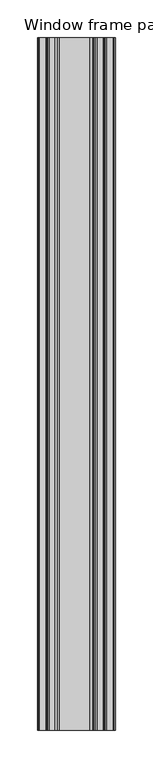
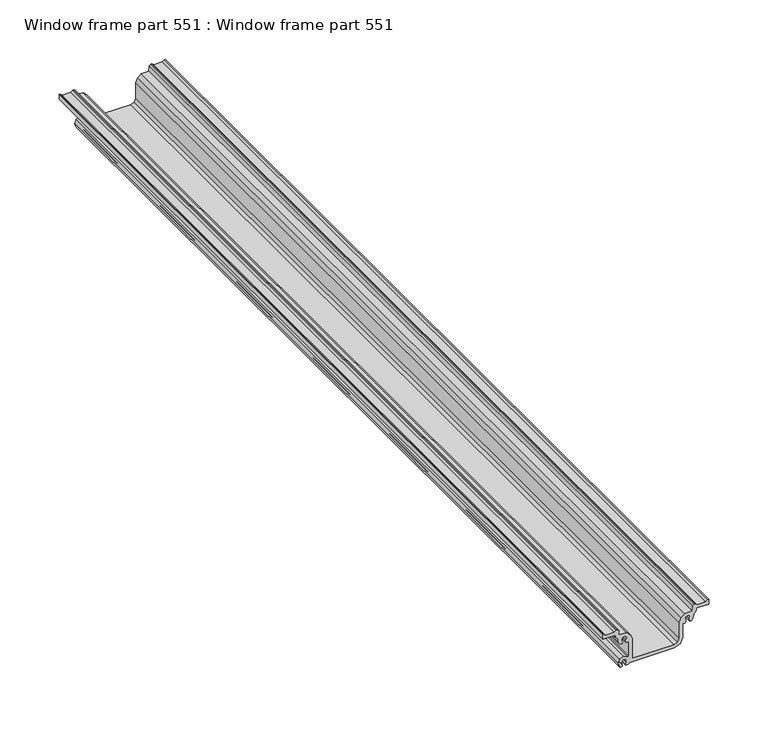
"""IFC4 building model written with IfcOpenShell, lengths in millimetres: proxy geometry, Window frame part 551 : Window frame part 551."""

from ifc_helpers import new_model, si_unit, frame, origin, place, context, project, spatial, polyline, outline, extrude, source, transform, mapped, element, save


def window_frame_part_551_window_frame_part_551_83228079(model_context):
    return source(origin(), model_context, "Body", "SweptSolid", [
        extrude(outline(polyline([(1380.0880823, 37560.1041881), (1377.5321799, 37560.6443582), (1375.3001394, 37563.0354263), (1372.1545517, 37563.0354263), (1369.4796476, 37564.6796781), (1369.426786, 37566.3651471), (1370.8125999, 37567.1652471), (1371.9317583, 37566.7087799), (1373.7082, 37565.9842289), (1375.9079044, 37567.2542288), (1375.9079044, 37569.7942287), (1373.7081999, 37571.0642287), (1371.9317583, 37570.3396777), (1370.8125999, 37569.8832105), (1369.7693698, 37570.2700222), (1369.2123998, 37571.4834106), (1369.5139755, 37572.4184053), (1369.1017139, 37573.2232289), (1354.5847356, 37573.2232289), (1354.2092144, 37572.3731064), (1355.6996, 37568.5242289), (1354.0257152, 37564.4831136), (1349.9845999, 37562.8092288), (1345.9434846, 37564.4831136), (1345.4887999, 37565.5650471), (1346.2888999, 37566.950861), (1347.8891, 37566.950861), (1348.7146, 37566.3245243), (1351.2337079, 37566.4483605), (1352.5245999, 37568.5242288), (1351.2545999, 37570.7239332), (1348.7146, 37570.7239332), (1347.0889999, 37569.8832104), (1345.9574875, 37570.3518982), (1345.9574875, 37572.6149229), (1347.2922, 37573.5694604), (1347.2922, 37617.3938289), (1349.7100335, 37623.2309954), (1355.5472, 37625.6488289), (1369.1017139, 37625.6488289), (1369.5139755, 37626.4536526), (1369.2123999, 37627.3886471), (1370.0124999, 37628.774461), (1371.9317583, 37628.5323799), (1374.9781999, 37628.1481243), (1376.2481998, 37630.3478288), (1374.9781999, 37632.5475332), (1371.9317583, 37632.1632777), (1369.426786, 37632.5069105), (1369.426786, 37634.1071105), (1372.1545517, 37635.8366315), (1375.9250046, 37636.1682313), (1377.6451999, 37638.2955855), (1380.6678, 37639.2707816), (1380.6678, 37650.7186289), (1385.4176, 37650.7186289), (1385.4176, 37649.7280289), (1383.8428, 37648.1532289), (1383.8428, 37639.5680289), (1385.4176, 37637.9932289), (1385.4176, 37636.7740289), (1384.1476, 37635.5040289), (1379.0422, 37634.9960289), (1379.0422, 37627.5560189), (1376.0303023, 37624.3337008), (1371.5401744, 37622.4738289), (1355.5472, 37622.4738289), (1351.9550976, 37620.9859314), (1350.4672, 37617.3938289), (1350.9752, 37576.3982289), (1371.5401744, 37576.3982289), (1376.0303021, 37574.538357), (1379.0422, 37571.3160389), (1379.5502, 37563.3680289), (1384.1476, 37563.3680289), (1385.4176, 37562.0980289), (1385.4176, 37560.8788289), (1383.8428, 37559.3040289), (1383.8428, 37550.7188289), (1385.4176, 37549.1440289), (1385.4176, 37548.1534289), (1380.6678, 37548.1534289), (1380.0880823, 37560.1041881)])), frame((0.0, -19576.8264269, 0.0), z_axis=(0.0, 1.0, 0.0), x_axis=(0.0, 0.0, 1.0)), (0.0, 0.0, 1.0), 914.4),
    ])


if __name__ == "__main__":
    model = new_model("IFC4")
    model_context = context("Model", 3, world=origin())
    ifc_project = project(units=[si_unit("LENGTHUNIT", "METRE", prefix="MILLI")], contexts=[model_context])
    site = spatial("IfcSite", under=ifc_project)
    building = spatial("IfcBuilding", under=site)
    placement = place(None, origin())
    window_frame_part_551_window_frame_part_551_shape = window_frame_part_551_window_frame_part_551_83228079(model_context)
    element("IfcBuildingElementProxy", 1, Name="Window frame part 551 : Window frame part 551", ObjectType="Window frame part 551 : Window frame part 551", at=placement, inside=building, context=model_context, shape_type="MappedRepresentation", body=[
        mapped(window_frame_part_551_window_frame_part_551_shape, transform((0.0, 0.0, 0.0), x_axis=(1.0, 0.0, 0.0), y_axis=(0.0, 1.0, 0.0), z_axis=(0.0, 0.0, 1.0))),
    ])
    save(model, "model.ifc")
